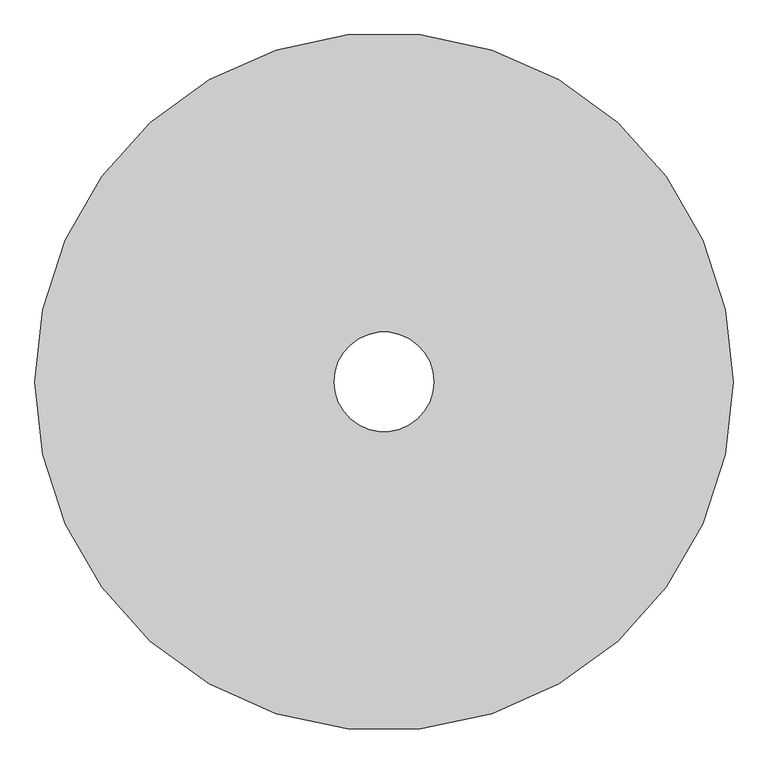
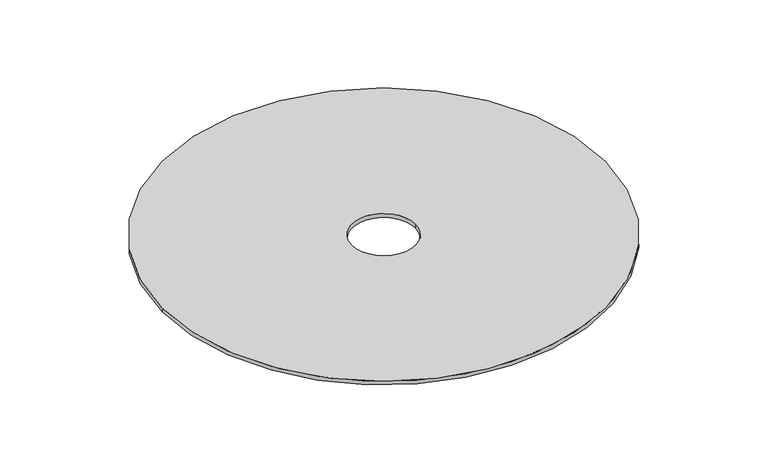
"""IFC4 building model written with IfcOpenShell, lengths in millimetres: proxy geometry."""

from ifc_helpers import new_model, si_unit, point, frame, frame_2d, origin, place, context, project, spatial, circle_curve, trimmed, segment, composite_curve, outline, extrude, source, transform, mapped, element, save


def generic_models_2a7f7fbc(model_context):
    return source(origin(), model_context, "Body", "SweptSolid", [
        extrude(outline(composite_curve([segment(trimmed(circle_curve(frame_2d((77.0968319, 11.7826131)), 14000.0), [point((-13922.9031681, 11.7826131))], [point((14077.0968319, 11.7826131))], False, "CARTESIAN"), True, "CONTINUOUS"), segment(trimmed(circle_curve(frame_2d((77.0968319, 11.7826131)), 14000.0), [point((14077.0968319, 11.7826131))], [point((-13922.9031681, 11.7826131))], False, "CARTESIAN"), True, "CONTINUOUS")], self_intersect=False), holes=[composite_curve([segment(trimmed(circle_curve(frame_2d((77.0968319, 11.7826131)), 2000.0), [point((-1922.9031681, 11.7826131))], [point((2077.0968319, 11.7826131))], True, "CARTESIAN"), True, "CONTINUOUS"), segment(trimmed(circle_curve(frame_2d((77.0968319, 11.7826131)), 2000.0), [point((2077.0968319, 11.7826131))], [point((-1922.9031681, 11.7826131))], True, "CARTESIAN"), True, "CONTINUOUS")], self_intersect=False)]), frame((0.0, 0.0, -4000.0), z_axis=(0.0, 0.0, 1.0), x_axis=(1.0, 0.0, 0.0)), (0.0, 0.0, 1.0), 250.0),
    ])


if __name__ == "__main__":
    model = new_model("IFC4")
    model_context = context("Model", 3, world=origin())
    ifc_project = project(units=[si_unit("LENGTHUNIT", "METRE", prefix="MILLI")], contexts=[model_context])
    site = spatial("IfcSite", under=ifc_project)
    building = spatial("IfcBuilding", under=site)
    placement = place(None, origin())
    generic_models_shape = generic_models_2a7f7fbc(model_context)
    element("IfcBuildingElementProxy", 1, Name="Generic Models", at=placement, inside=building, context=model_context, shape_type="MappedRepresentation", body=[
        mapped(generic_models_shape, transform((0.0, 0.0, 0.0), x_axis=(1.0, 0.0, 0.0), y_axis=(0.0, 1.0, 0.0), z_axis=(0.0, 0.0, 1.0))),
    ])
    save(model, "model.ifc")
